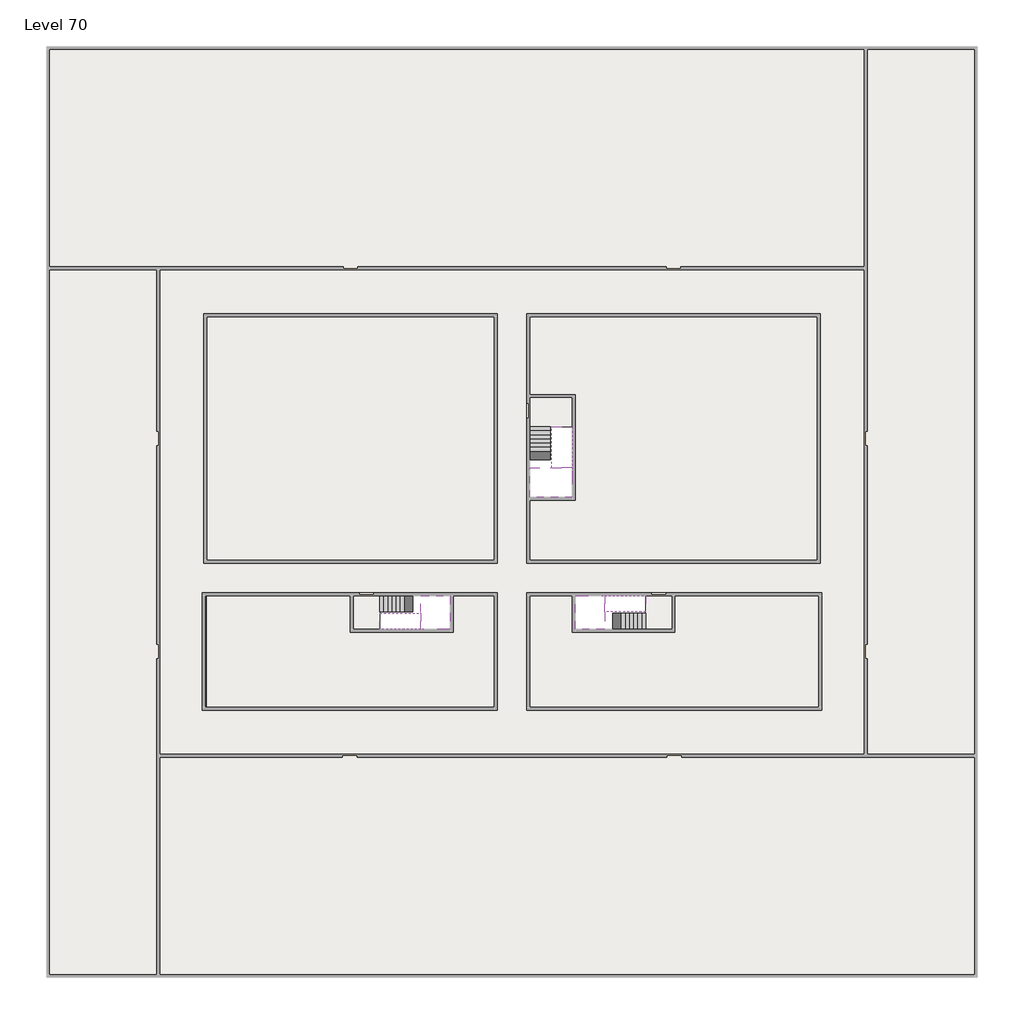
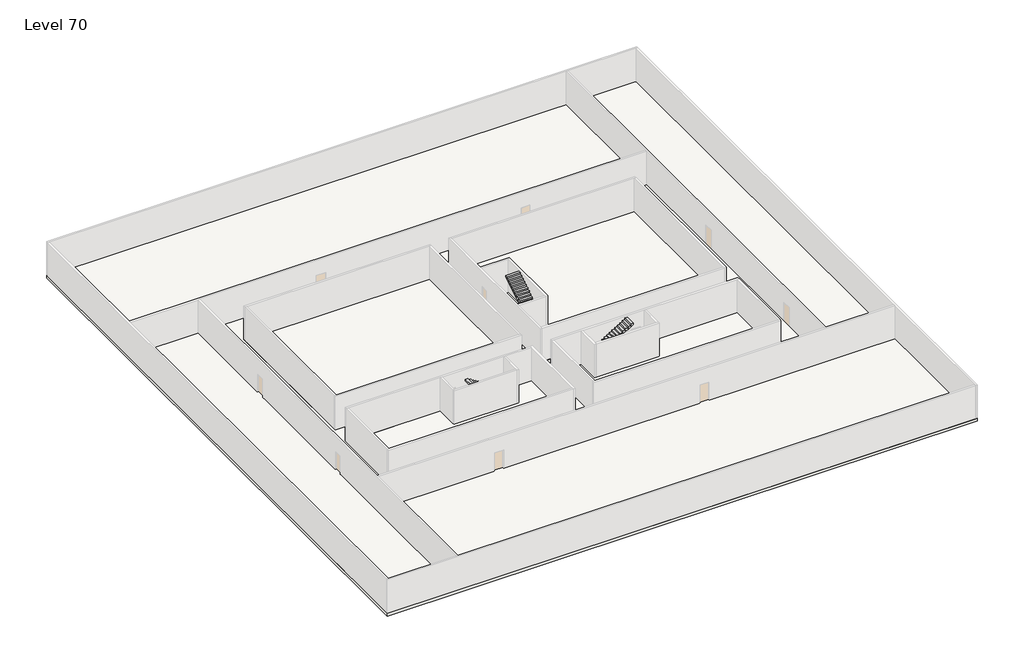
# One storey, part 2 of 2: 6 slabs, 6 stair flights.
"""IFC4 building model written with IfcOpenShell, lengths in millimetres."""

from ifc_helpers import new_model, si_unit, frame, origin, place, context, project, spatial, polyline, outline, extrude, faceted_brep, element, save

model = new_model("IFC4")

# Units and contexts
model_context = context("Model", 3, world=origin())
ifc_project = project(units=[si_unit("LENGTHUNIT", "METRE", prefix="MILLI")], contexts=[model_context])

# Site, building, storey
site = spatial("IfcSite", under=ifc_project)
building = spatial("IfcBuilding", under=site)
storey = spatial("IfcBuildingStorey", under=building, Name="Level 70", Elevation=262200.0)

# Slabs
placement = place(None, origin())
element("IfcSlab", 1, at=placement, inside=storey, context=model_context, shape_type="SweptSolid", body=[
    extrude(outline(polyline([(55890.1058784, -5518.09644), (55890.1058784, -68918.09644), (-7509.8941216, -68918.09644), (-7509.8941216, -5518.09644), (55890.1058784, -5518.09644)]), holes=[polyline([(23190.1058784, -23718.09644), (3190.1058784, -23718.09644), (3190.1058784, -40718.09644), (23190.1058784, -40718.09644), (23190.1058784, -23718.09644)]), polyline([(45190.1058784, -23718.09644), (25190.1058784, -23718.09644), (25190.1058784, -40718.09644), (45190.1058784, -40718.09644), (45190.1058784, -23718.09644)]), polyline([(23190.1058784, -50718.09644), (23190.1058784, -42718.09644), (3390.1058784, -42718.09644), (3390.1058784, -50718.09644), (23190.1058784, -50718.09644)]), polyline([(25190.1058784, -50718.09644), (45190.1058784, -50718.09644), (45190.1058784, -42718.09644), (25190.1058784, -42718.09644), (25190.1058784, -50718.09644)])]), frame((0.0, 0.0, 261900.0), z_axis=(0.0, 0.0, 1.0), x_axis=(1.0, 0.0, 0.0)), (0.0, 0.0, 1.0), 300.0),
])
element("IfcSlab", 2, at=placement, inside=storey, context=model_context, shape_type="Brep", body=[
    faceted_brep([(26790.1058784, -34218.09644, 264100.0), (25390.1058784, -34218.09644, 264100.0), (25390.1058784, -34297.4828763, 264100.0), (25390.1058784, -36218.09644, 264100.0), (28290.1058784, -36218.09644, 264100.0), (28290.1058784, -34418.7100038, 264100.0), (28290.1058784, -34218.09644, 264100.0), (26890.1058784, -34218.09644, 264100.0), (26790.1058784, -34218.09644, 263800.0), (26790.1058784, -34218.09644, 263751.0278478), (25390.1058784, -34218.09644, 263751.0278478), (25390.1058784, -34218.09644, 263927.2727273), (25390.1058784, -34297.4828763, 263800.0), (25390.1058784, -36218.09644, 263800.0), (28290.1058784, -36218.09644, 263800.0), (28290.1058784, -34418.7100038, 263800.0), (28290.1058784, -34218.09644, 263923.7551205), (26890.1058784, -34218.09644, 263923.7551205), (26890.1058784, -34218.09644, 263800.0), (26890.1058784, -34418.7100038, 263800.0), (26790.1058784, -34297.4828763, 263800.0)], [[[0, 1, 2, 3, 4, 5, 6, 7]], [[1, 0, 8, 9, 10, 11]], [[1, 11, 10, 12, 13, 3, 2]], [[4, 3, 13, 14]], [[4, 14, 15, 16, 6, 5]], [[7, 6, 16, 17]], [[0, 7, 17, 18, 8]], [[18, 19, 15, 14, 13, 12, 20, 8]], [[19, 18, 17]], [[20, 12, 10, 9]], [[8, 20, 9]], [[15, 19, 17, 16]]]),
])
element("IfcSlab", 3, at=placement, inside=storey, context=model_context, shape_type="SweptSolid", body=[
    extrude(outline(polyline([(22990.1058784, -23918.09644), (22990.1058784, -40518.09644), (3390.1058784, -40518.09644), (3390.1058784, -23918.09644), (22990.1058784, -23918.09644)])), frame((0.0, 0.0, 261900.0), z_axis=(0.0, 0.0, 1.0), x_axis=(1.0, 0.0, 0.0)), (0.0, 0.0, 1.0), 300.0),
    extrude(outline(polyline([(44990.1058784, -23918.09644), (44990.1058784, -40518.09644), (25390.1058784, -40518.09644), (25390.1058784, -36418.09644), (28490.1058784, -36418.09644), (28490.1058784, -29218.09644), (25390.1058784, -29218.09644), (25390.1058784, -23918.09644), (44990.1058784, -23918.09644)])), frame((0.0, 0.0, 261900.0), z_axis=(0.0, 0.0, 1.0), x_axis=(1.0, 0.0, 0.0)), (0.0, 0.0, 1.0), 300.0),
    extrude(outline(polyline([(22990.1058784, -42918.09644), (22990.1058784, -50518.09644), (3390.1058784, -50518.09644), (3390.1058784, -42918.09644), (13190.1058784, -42918.09644), (13190.1058784, -45418.09644), (20190.1058784, -45418.09644), (20190.1058784, -42918.09644), (22990.1058784, -42918.09644)])), frame((0.0, 0.0, 261900.0), z_axis=(0.0, 0.0, 1.0), x_axis=(1.0, 0.0, 0.0)), (0.0, 0.0, 1.0), 300.0),
    extrude(outline(polyline([(28290.1058784, -42918.09644), (28290.1058784, -45418.09644), (35290.1058784, -45418.09644), (35290.1058784, -42918.09644), (45090.1058784, -42918.09644), (45090.1058784, -50518.09644), (25390.1058784, -50518.09644), (25390.1058784, -42918.09644), (28290.1058784, -42918.09644)])), frame((0.0, 0.0, 261900.0), z_axis=(0.0, 0.0, 1.0), x_axis=(1.0, 0.0, 0.0)), (0.0, 0.0, 1.0), 300.0),
])
element("IfcSlab", 4, at=placement, inside=storey, context=model_context, shape_type="Brep", body=[
    faceted_brep([(30490.1058784, -45218.09644, 264100.0), (30490.1058784, -44118.09644, 264100.0), (30490.1058784, -44018.09644, 264100.0), (30490.1058784, -42918.09644, 264100.0), (30289.4923146, -42918.09644, 264100.0), (28490.1058784, -42918.09644, 264100.0), (28490.1058784, -45218.09644, 264100.0), (30410.7194421, -45218.09644, 264100.0), (30490.1058784, -45218.09644, 263927.2727273), (30490.1058784, -45218.09644, 263751.0278478), (30490.1058784, -44118.09644, 263751.0278478), (30490.1058784, -44118.09644, 263800.0), (30490.1058784, -44018.09644, 263800.0), (30490.1058784, -44018.09644, 263923.7551205), (30490.1058784, -42918.09644, 263923.7551205), (30289.4923146, -42918.09644, 263800.0), (28490.1058784, -42918.09644, 263800.0), (28490.1058784, -45218.09644, 263800.0), (30410.7194421, -45218.09644, 263800.0), (30289.4923146, -44018.09644, 263800.0), (30410.7194421, -44118.09644, 263800.0)], [[[0, 1, 2, 3, 4, 5, 6, 7]], [[1, 0, 8, 9, 10, 11]], [[2, 1, 11, 12, 13]], [[3, 2, 13, 14]], [[3, 14, 15, 16, 5, 4]], [[6, 5, 16, 17]], [[9, 8, 0, 7, 6, 17, 18]], [[19, 12, 11, 20, 18, 17, 16, 15]], [[12, 19, 13]], [[18, 20, 10, 9]], [[20, 11, 10]], [[19, 15, 14, 13]]]),
])
element("IfcSlab", 5, at=placement, inside=storey, context=model_context, shape_type="Brep", body=[
    faceted_brep([(17990.1058784, -42918.09644, 264100.0), (17990.1058784, -44018.09644, 264100.0), (17990.1058784, -44118.09644, 264100.0), (17990.1058784, -45218.09644, 264100.0), (18190.7194421, -45218.09644, 264100.0), (19990.1058784, -45218.09644, 264100.0), (19990.1058784, -42918.09644, 264100.0), (18069.4923146, -42918.09644, 264100.0), (17990.1058784, -42918.09644, 263927.2727273), (17990.1058784, -42918.09644, 263751.0278478), (17990.1058784, -44018.09644, 263751.0278478), (17990.1058784, -44018.09644, 263800.0), (17990.1058784, -44118.09644, 263800.0), (17990.1058784, -44118.09644, 263923.7551205), (17990.1058784, -45218.09644, 263923.7551205), (18190.7194421, -45218.09644, 263800.0), (19990.1058784, -45218.09644, 263800.0), (19990.1058784, -42918.09644, 263800.0), (18069.4923146, -42918.09644, 263800.0), (18190.7194421, -44118.09644, 263800.0), (18069.4923146, -44018.09644, 263800.0)], [[[0, 1, 2, 3, 4, 5, 6, 7]], [[1, 0, 8, 9, 10, 11]], [[2, 1, 11, 12, 13]], [[3, 2, 13, 14]], [[3, 14, 15, 16, 5, 4]], [[6, 5, 16, 17]], [[9, 8, 0, 7, 6, 17, 18]], [[19, 12, 11, 20, 18, 17, 16, 15]], [[12, 19, 13]], [[18, 20, 10, 9]], [[20, 11, 10]], [[19, 15, 14, 13]]]),
])
element("IfcSlab", 6, at=placement, inside=storey, context=model_context, shape_type="SweptSolid", body=[
    extrude(outline(polyline([(25190.1058784, -29418.09644), (28290.1058784, -29418.09644), (28290.1058784, -31418.09644), (25190.1058784, -31418.09644), (25190.1058784, -29418.09644)])), frame((0.0, 0.0, 261900.0), z_axis=(0.0, 0.0, 1.0), x_axis=(1.0, 0.0, 0.0)), (0.0, 0.0, 1.0), 300.0),
    extrude(outline(polyline([(15190.1058784, -45218.09644), (13390.1058784, -45218.09644), (13390.1058784, -42718.09644), (15190.1058784, -42718.09644), (15190.1058784, -45218.09644)])), frame((0.0, 0.0, 261900.0), z_axis=(0.0, 0.0, 1.0), x_axis=(1.0, 0.0, 0.0)), (0.0, 0.0, 1.0), 300.0),
    extrude(outline(polyline([(35090.1058784, -45218.09644), (33290.1058784, -45218.09644), (33290.1058784, -42718.09644), (35090.1058784, -42718.09644), (35090.1058784, -45218.09644)])), frame((0.0, 0.0, 261900.0), z_axis=(0.0, 0.0, 1.0), x_axis=(1.0, 0.0, 0.0)), (0.0, 0.0, 1.0), 300.0),
])

# Stair flights
element("IfcStairFlight", 7, at=placement, inside=storey, context=model_context, shape_type="Brep", body=[
    faceted_brep([(26790.1058784, -31698.09644, 262372.7272727), (26790.1058784, -31418.09644, 262372.7272727), (25390.1058784, -31418.09644, 262372.7272727), (25390.1058784, -31698.09644, 262372.7272727), (26790.1058784, -31698.09644, 262200.0), (26790.1058784, -31418.09644, 262200.0), (25390.1058784, -31418.09644, 262200.0), (25390.1058784, -31698.09644, 262200.0), (26790.1058784, -31978.09644, 262545.4545455), (26790.1058784, -31698.09644, 262545.4545455), (25390.1058784, -31698.09644, 262545.4545455), (25390.1058784, -31978.09644, 262545.4545455), (26790.1058784, -31978.09644, 262369.209666), (26790.1058784, -31703.7986657, 262200.0), (25390.1058784, -31703.7986657, 262200.0), (25390.1058784, -31978.09644, 262369.209666), (26790.1058784, -32258.09644, 262718.1818182), (26790.1058784, -31978.09644, 262718.1818182), (25390.1058784, -31978.09644, 262718.1818182), (25390.1058784, -32258.09644, 262718.1818182), (26790.1058784, -32258.09644, 262541.9369387), (25390.1058784, -32258.09644, 262541.9369387), (26790.1058784, -32538.09644, 262890.9090909), (26790.1058784, -32258.09644, 262890.9090909), (25390.1058784, -32258.09644, 262890.9090909), (25390.1058784, -32538.09644, 262890.9090909), (26790.1058784, -32538.09644, 262714.6642114), (25390.1058784, -32538.09644, 262714.6642114), (26790.1058784, -32818.09644, 263063.6363636), (26790.1058784, -32538.09644, 263063.6363636), (25390.1058784, -32538.09644, 263063.6363636), (25390.1058784, -32818.09644, 263063.6363636), (26790.1058784, -32818.09644, 262887.3914841), (25390.1058784, -32818.09644, 262887.3914841), (26790.1058784, -33098.09644, 263236.3636364), (26790.1058784, -32818.09644, 263236.3636364), (25390.1058784, -32818.09644, 263236.3636364), (25390.1058784, -33098.09644, 263236.3636364), (26790.1058784, -33098.09644, 263060.1187569), (25390.1058784, -33098.09644, 263060.1187569), (26790.1058784, -33378.09644, 263409.0909091), (26790.1058784, -33098.09644, 263409.0909091), (25390.1058784, -33098.09644, 263409.0909091), (25390.1058784, -33378.09644, 263409.0909091), (26790.1058784, -33378.09644, 263232.8460296), (25390.1058784, -33378.09644, 263232.8460296), (26790.1058784, -33658.09644, 263581.8181818), (26790.1058784, -33378.09644, 263581.8181818), (25390.1058784, -33378.09644, 263581.8181818), (25390.1058784, -33658.09644, 263581.8181818), (26790.1058784, -33658.09644, 263405.5733023), (25390.1058784, -33658.09644, 263405.5733023), (26790.1058784, -33938.09644, 263754.5454545), (26790.1058784, -33658.09644, 263754.5454545), (25390.1058784, -33658.09644, 263754.5454545), (25390.1058784, -33938.09644, 263754.5454545), (26790.1058784, -33938.09644, 263578.3005751), (25390.1058784, -33938.09644, 263578.3005751), (26790.1058784, -34218.09644, 263927.2727273), (26790.1058784, -33938.09644, 263927.2727273), (25390.1058784, -33938.09644, 263927.2727273), (25390.1058784, -34218.09644, 263927.2727273), (26790.1058784, -34218.09644, 263800.0), (26790.1058784, -34218.09644, 263751.0278478), (25390.1058784, -34218.09644, 263751.0278478)], [[[0, 1, 2, 3]], [[1, 0, 4, 5]], [[2, 1, 5, 6]], [[3, 2, 6, 7]], [[8, 9, 10, 11]], [[4, 0, 9, 8, 12, 13]], [[0, 3, 10, 9]], [[3, 7, 14, 15, 11, 10]], [[16, 17, 18, 19]], [[17, 16, 20, 12, 8]], [[8, 11, 18, 17]], [[19, 18, 11, 15, 21]], [[22, 23, 24, 25]], [[23, 22, 26, 20, 16]], [[16, 19, 24, 23]], [[25, 24, 19, 21, 27]], [[28, 29, 30, 31]], [[29, 28, 32, 26, 22]], [[22, 25, 30, 29]], [[31, 30, 25, 27, 33]], [[34, 35, 36, 37]], [[35, 34, 38, 32, 28]], [[28, 31, 36, 35]], [[37, 36, 31, 33, 39]], [[40, 41, 42, 43]], [[41, 40, 44, 38, 34]], [[34, 37, 42, 41]], [[43, 42, 37, 39, 45]], [[46, 47, 48, 49]], [[47, 46, 50, 44, 40]], [[40, 43, 48, 47]], [[49, 48, 43, 45, 51]], [[52, 53, 54, 55]], [[53, 52, 56, 50, 46]], [[46, 49, 54, 53]], [[55, 54, 49, 51, 57]], [[58, 59, 60, 61]], [[59, 58, 62, 63, 56, 52]], [[52, 55, 60, 59]], [[61, 60, 55, 57, 64]], [[58, 61, 64, 63, 62]], [[5, 4, 13, 14, 7, 6]], [[14, 13, 12, 20, 26, 32, 38, 44, 50, 56, 63, 64, 57, 51, 45, 39, 33, 27, 21, 15]]]),
])
element("IfcStairFlight", 8, at=placement, inside=storey, context=model_context, shape_type="Brep", body=[
    faceted_brep([(26890.1058784, -33938.09644, 264272.7272727), (26890.1058784, -34218.09644, 264272.7272727), (28290.1058784, -34218.09644, 264272.7272727), (28290.1058784, -33938.09644, 264272.7272727), (26890.1058784, -33938.09644, 264096.4823932), (26890.1058784, -34218.09644, 263923.7551205), (28290.1058784, -34218.09644, 263923.7551205), (28290.1058784, -34218.09644, 264100.0), (28290.1058784, -33938.09644, 264096.4823932), (26890.1058784, -33658.09644, 264445.4545455), (26890.1058784, -33938.09644, 264445.4545455), (28290.1058784, -33938.09644, 264445.4545455), (28290.1058784, -33658.09644, 264445.4545455), (26890.1058784, -33658.09644, 264269.209666), (28290.1058784, -33658.09644, 264269.209666), (26890.1058784, -33378.09644, 264618.1818182), (26890.1058784, -33658.09644, 264618.1818182), (28290.1058784, -33658.09644, 264618.1818182), (28290.1058784, -33378.09644, 264618.1818182), (26890.1058784, -33378.09644, 264441.9369387), (28290.1058784, -33378.09644, 264441.9369387), (26890.1058784, -33098.09644, 264790.9090909), (26890.1058784, -33378.09644, 264790.9090909), (28290.1058784, -33378.09644, 264790.9090909), (28290.1058784, -33098.09644, 264790.9090909), (26890.1058784, -33098.09644, 264614.6642114), (28290.1058784, -33098.09644, 264614.6642114), (26890.1058784, -32818.09644, 264963.6363636), (26890.1058784, -33098.09644, 264963.6363636), (28290.1058784, -33098.09644, 264963.6363636), (28290.1058784, -32818.09644, 264963.6363636), (26890.1058784, -32818.09644, 264787.3914841), (28290.1058784, -32818.09644, 264787.3914841), (26890.1058784, -32538.09644, 265136.3636364), (26890.1058784, -32818.09644, 265136.3636364), (28290.1058784, -32818.09644, 265136.3636364), (28290.1058784, -32538.09644, 265136.3636364), (26890.1058784, -32538.09644, 264960.1187569), (28290.1058784, -32538.09644, 264960.1187569), (26890.1058784, -32258.09644, 265309.0909091), (26890.1058784, -32538.09644, 265309.0909091), (28290.1058784, -32538.09644, 265309.0909091), (28290.1058784, -32258.09644, 265309.0909091), (26890.1058784, -32258.09644, 265132.8460296), (28290.1058784, -32258.09644, 265132.8460296), (26890.1058784, -31978.09644, 265481.8181818), (26890.1058784, -32258.09644, 265481.8181818), (28290.1058784, -32258.09644, 265481.8181818), (28290.1058784, -31978.09644, 265481.8181818), (26890.1058784, -31978.09644, 265305.5733023), (28290.1058784, -31978.09644, 265305.5733023), (26890.1058784, -31698.09644, 265654.5454545), (26890.1058784, -31978.09644, 265654.5454545), (28290.1058784, -31978.09644, 265654.5454545), (28290.1058784, -31698.09644, 265654.5454545), (26890.1058784, -31698.09644, 265478.3005751), (28290.1058784, -31698.09644, 265478.3005751), (26890.1058784, -31418.09644, 265827.2727273), (26890.1058784, -31698.09644, 265827.2727273), (28290.1058784, -31698.09644, 265827.2727273), (28290.1058784, -31418.09644, 265827.2727273), (26890.1058784, -31418.09644, 265651.0278478), (28290.1058784, -31418.09644, 265651.0278478)], [[[0, 1, 2, 3]], [[1, 0, 4, 5]], [[2, 1, 5, 6, 7]], [[3, 2, 7, 6, 8]], [[9, 10, 11, 12]], [[10, 9, 13, 4, 0]], [[11, 10, 0, 3]], [[12, 11, 3, 8, 14]], [[15, 16, 17, 18]], [[16, 15, 19, 13, 9]], [[17, 16, 9, 12]], [[18, 17, 12, 14, 20]], [[21, 22, 23, 24]], [[22, 21, 25, 19, 15]], [[23, 22, 15, 18]], [[24, 23, 18, 20, 26]], [[27, 28, 29, 30]], [[28, 27, 31, 25, 21]], [[29, 28, 21, 24]], [[30, 29, 24, 26, 32]], [[33, 34, 35, 36]], [[34, 33, 37, 31, 27]], [[35, 34, 27, 30]], [[36, 35, 30, 32, 38]], [[39, 40, 41, 42]], [[40, 39, 43, 37, 33]], [[41, 40, 33, 36]], [[42, 41, 36, 38, 44]], [[45, 46, 47, 48]], [[46, 45, 49, 43, 39]], [[47, 46, 39, 42]], [[48, 47, 42, 44, 50]], [[51, 52, 53, 54]], [[52, 51, 55, 49, 45]], [[53, 52, 45, 48]], [[54, 53, 48, 50, 56]], [[57, 58, 59, 60]], [[58, 57, 61, 55, 51]], [[59, 58, 51, 54]], [[60, 59, 54, 56, 62]], [[57, 60, 62, 61]], [[5, 4, 13, 19, 25, 31, 37, 43, 49, 55, 61, 62, 56, 50, 44, 38, 32, 26, 20, 14, 8, 6]]]),
])
element("IfcStairFlight", 9, at=placement, inside=storey, context=model_context, shape_type="Brep", body=[
    faceted_brep([(33010.1058784, -45218.09644, 262372.7272727), (33290.1058784, -45218.09644, 262372.7272727), (33290.1058784, -44118.09644, 262372.7272727), (33010.1058784, -44118.09644, 262372.7272727), (33010.1058784, -45218.09644, 262200.0), (33290.1058784, -45218.09644, 262200.0), (33290.1058784, -44118.09644, 262200.0), (33010.1058784, -44118.09644, 262200.0), (32730.1058784, -45218.09644, 262545.4545455), (33010.1058784, -45218.09644, 262545.4545455), (33010.1058784, -44118.09644, 262545.4545455), (32730.1058784, -44118.09644, 262545.4545455), (32730.1058784, -45218.09644, 262369.209666), (33004.4036527, -45218.09644, 262200.0), (33004.4036527, -44118.09644, 262200.0), (32730.1058784, -44118.09644, 262369.209666), (32450.1058784, -45218.09644, 262718.1818182), (32730.1058784, -45218.09644, 262718.1818182), (32730.1058784, -44118.09644, 262718.1818182), (32450.1058784, -44118.09644, 262718.1818182), (32450.1058784, -45218.09644, 262541.9369387), (32450.1058784, -44118.09644, 262541.9369387), (32170.1058784, -45218.09644, 262890.9090909), (32450.1058784, -45218.09644, 262890.9090909), (32450.1058784, -44118.09644, 262890.9090909), (32170.1058784, -44118.09644, 262890.9090909), (32170.1058784, -45218.09644, 262714.6642114), (32170.1058784, -44118.09644, 262714.6642114), (31890.1058784, -45218.09644, 263063.6363636), (32170.1058784, -45218.09644, 263063.6363636), (32170.1058784, -44118.09644, 263063.6363636), (31890.1058784, -44118.09644, 263063.6363636), (31890.1058784, -45218.09644, 262887.3914841), (31890.1058784, -44118.09644, 262887.3914841), (31610.1058784, -45218.09644, 263236.3636364), (31890.1058784, -45218.09644, 263236.3636364), (31890.1058784, -44118.09644, 263236.3636364), (31610.1058784, -44118.09644, 263236.3636364), (31610.1058784, -45218.09644, 263060.1187569), (31610.1058784, -44118.09644, 263060.1187569), (31330.1058784, -45218.09644, 263409.0909091), (31610.1058784, -45218.09644, 263409.0909091), (31610.1058784, -44118.09644, 263409.0909091), (31330.1058784, -44118.09644, 263409.0909091), (31330.1058784, -45218.09644, 263232.8460296), (31330.1058784, -44118.09644, 263232.8460296), (31050.1058784, -45218.09644, 263581.8181818), (31330.1058784, -45218.09644, 263581.8181818), (31330.1058784, -44118.09644, 263581.8181818), (31050.1058784, -44118.09644, 263581.8181818), (31050.1058784, -45218.09644, 263405.5733023), (31050.1058784, -44118.09644, 263405.5733023), (30770.1058784, -45218.09644, 263754.5454545), (31050.1058784, -45218.09644, 263754.5454545), (31050.1058784, -44118.09644, 263754.5454545), (30770.1058784, -44118.09644, 263754.5454545), (30770.1058784, -45218.09644, 263578.3005751), (30770.1058784, -44118.09644, 263578.3005751), (30490.1058784, -45218.09644, 263927.2727273), (30770.1058784, -45218.09644, 263927.2727273), (30770.1058784, -44118.09644, 263927.2727273), (30490.1058784, -44118.09644, 263927.2727273), (30490.1058784, -45218.09644, 263751.0278478), (30490.1058784, -44118.09644, 263751.0278478), (30490.1058784, -44118.09644, 263800.0)], [[[0, 1, 2, 3]], [[1, 0, 4, 5]], [[2, 1, 5, 6]], [[3, 2, 6, 7]], [[8, 9, 10, 11]], [[4, 0, 9, 8, 12, 13]], [[0, 3, 10, 9]], [[3, 7, 14, 15, 11, 10]], [[16, 17, 18, 19]], [[17, 16, 20, 12, 8]], [[8, 11, 18, 17]], [[19, 18, 11, 15, 21]], [[22, 23, 24, 25]], [[23, 22, 26, 20, 16]], [[16, 19, 24, 23]], [[25, 24, 19, 21, 27]], [[28, 29, 30, 31]], [[29, 28, 32, 26, 22]], [[22, 25, 30, 29]], [[31, 30, 25, 27, 33]], [[34, 35, 36, 37]], [[35, 34, 38, 32, 28]], [[28, 31, 36, 35]], [[37, 36, 31, 33, 39]], [[40, 41, 42, 43]], [[41, 40, 44, 38, 34]], [[34, 37, 42, 41]], [[43, 42, 37, 39, 45]], [[46, 47, 48, 49]], [[47, 46, 50, 44, 40]], [[40, 43, 48, 47]], [[49, 48, 43, 45, 51]], [[52, 53, 54, 55]], [[53, 52, 56, 50, 46]], [[46, 49, 54, 53]], [[55, 54, 49, 51, 57]], [[58, 59, 60, 61]], [[59, 58, 62, 56, 52]], [[52, 55, 60, 59]], [[61, 60, 55, 57, 63, 64]], [[58, 61, 64, 63, 62]], [[5, 4, 13, 14, 7, 6]], [[14, 13, 12, 20, 26, 32, 38, 44, 50, 56, 62, 63, 57, 51, 45, 39, 33, 27, 21, 15]]]),
])
element("IfcStairFlight", 10, at=placement, inside=storey, context=model_context, shape_type="Brep", body=[
    faceted_brep([(30770.1058784, -42918.09644, 264272.7272727), (30490.1058784, -42918.09644, 264272.7272727), (30490.1058784, -44018.09644, 264272.7272727), (30770.1058784, -44018.09644, 264272.7272727), (30770.1058784, -42918.09644, 264096.4823932), (30490.1058784, -42918.09644, 263923.7551205), (30490.1058784, -42918.09644, 264100.0), (30490.1058784, -44018.09644, 263923.7551205), (30770.1058784, -44018.09644, 264096.4823932), (31050.1058784, -42918.09644, 264445.4545455), (30770.1058784, -42918.09644, 264445.4545455), (30770.1058784, -44018.09644, 264445.4545455), (31050.1058784, -44018.09644, 264445.4545455), (31050.1058784, -42918.09644, 264269.209666), (31050.1058784, -44018.09644, 264269.209666), (31330.1058784, -42918.09644, 264618.1818182), (31050.1058784, -42918.09644, 264618.1818182), (31050.1058784, -44018.09644, 264618.1818182), (31330.1058784, -44018.09644, 264618.1818182), (31330.1058784, -42918.09644, 264441.9369387), (31330.1058784, -44018.09644, 264441.9369387), (31610.1058784, -42918.09644, 264790.9090909), (31330.1058784, -42918.09644, 264790.9090909), (31330.1058784, -44018.09644, 264790.9090909), (31610.1058784, -44018.09644, 264790.9090909), (31610.1058784, -42918.09644, 264614.6642114), (31610.1058784, -44018.09644, 264614.6642114), (31890.1058784, -42918.09644, 264963.6363636), (31610.1058784, -42918.09644, 264963.6363636), (31610.1058784, -44018.09644, 264963.6363636), (31890.1058784, -44018.09644, 264963.6363636), (31890.1058784, -42918.09644, 264787.3914841), (31890.1058784, -44018.09644, 264787.3914841), (32170.1058784, -42918.09644, 265136.3636364), (31890.1058784, -42918.09644, 265136.3636364), (31890.1058784, -44018.09644, 265136.3636364), (32170.1058784, -44018.09644, 265136.3636364), (32170.1058784, -42918.09644, 264960.1187569), (32170.1058784, -44018.09644, 264960.1187569), (32450.1058784, -42918.09644, 265309.0909091), (32170.1058784, -42918.09644, 265309.0909091), (32170.1058784, -44018.09644, 265309.0909091), (32450.1058784, -44018.09644, 265309.0909091), (32450.1058784, -42918.09644, 265132.8460296), (32450.1058784, -44018.09644, 265132.8460296), (32730.1058784, -42918.09644, 265481.8181818), (32450.1058784, -42918.09644, 265481.8181818), (32450.1058784, -44018.09644, 265481.8181818), (32730.1058784, -44018.09644, 265481.8181818), (32730.1058784, -42918.09644, 265305.5733023), (32730.1058784, -44018.09644, 265305.5733023), (33010.1058784, -42918.09644, 265654.5454545), (32730.1058784, -42918.09644, 265654.5454545), (32730.1058784, -44018.09644, 265654.5454545), (33010.1058784, -44018.09644, 265654.5454545), (33010.1058784, -42918.09644, 265478.3005751), (33010.1058784, -44018.09644, 265478.3005751), (33290.1058784, -42918.09644, 265827.2727273), (33010.1058784, -42918.09644, 265827.2727273), (33010.1058784, -44018.09644, 265827.2727273), (33290.1058784, -44018.09644, 265827.2727273), (33290.1058784, -42918.09644, 265651.0278478), (33290.1058784, -44018.09644, 265651.0278478)], [[[0, 1, 2, 3]], [[1, 0, 4, 5, 6]], [[2, 1, 6, 5, 7]], [[3, 2, 7, 8]], [[9, 10, 11, 12]], [[10, 9, 13, 4, 0]], [[11, 10, 0, 3]], [[12, 11, 3, 8, 14]], [[15, 16, 17, 18]], [[16, 15, 19, 13, 9]], [[17, 16, 9, 12]], [[18, 17, 12, 14, 20]], [[21, 22, 23, 24]], [[22, 21, 25, 19, 15]], [[23, 22, 15, 18]], [[24, 23, 18, 20, 26]], [[27, 28, 29, 30]], [[28, 27, 31, 25, 21]], [[29, 28, 21, 24]], [[30, 29, 24, 26, 32]], [[33, 34, 35, 36]], [[34, 33, 37, 31, 27]], [[35, 34, 27, 30]], [[36, 35, 30, 32, 38]], [[39, 40, 41, 42]], [[40, 39, 43, 37, 33]], [[41, 40, 33, 36]], [[42, 41, 36, 38, 44]], [[45, 46, 47, 48]], [[46, 45, 49, 43, 39]], [[47, 46, 39, 42]], [[48, 47, 42, 44, 50]], [[51, 52, 53, 54]], [[52, 51, 55, 49, 45]], [[53, 52, 45, 48]], [[54, 53, 48, 50, 56]], [[57, 58, 59, 60]], [[58, 57, 61, 55, 51]], [[59, 58, 51, 54]], [[60, 59, 54, 56, 62]], [[57, 60, 62, 61]], [[5, 4, 13, 19, 25, 31, 37, 43, 49, 55, 61, 62, 56, 50, 44, 38, 32, 26, 20, 14, 8, 7]]]),
])
element("IfcStairFlight", 11, at=placement, inside=storey, context=model_context, shape_type="Brep", body=[
    faceted_brep([(15470.1058784, -42918.09644, 262372.7272727), (15190.1058784, -42918.09644, 262372.7272727), (15190.1058784, -44018.09644, 262372.7272727), (15470.1058784, -44018.09644, 262372.7272727), (15470.1058784, -42918.09644, 262200.0), (15190.1058784, -42918.09644, 262200.0), (15190.1058784, -44018.09644, 262200.0), (15470.1058784, -44018.09644, 262200.0), (15750.1058784, -42918.09644, 262545.4545455), (15470.1058784, -42918.09644, 262545.4545455), (15470.1058784, -44018.09644, 262545.4545455), (15750.1058784, -44018.09644, 262545.4545455), (15750.1058784, -42918.09644, 262369.209666), (15475.8081041, -42918.09644, 262200.0), (15475.8081041, -44018.09644, 262200.0), (15750.1058784, -44018.09644, 262369.209666), (16030.1058784, -42918.09644, 262718.1818182), (15750.1058784, -42918.09644, 262718.1818182), (15750.1058784, -44018.09644, 262718.1818182), (16030.1058784, -44018.09644, 262718.1818182), (16030.1058784, -42918.09644, 262541.9369387), (16030.1058784, -44018.09644, 262541.9369387), (16310.1058784, -42918.09644, 262890.9090909), (16030.1058784, -42918.09644, 262890.9090909), (16030.1058784, -44018.09644, 262890.9090909), (16310.1058784, -44018.09644, 262890.9090909), (16310.1058784, -42918.09644, 262714.6642114), (16310.1058784, -44018.09644, 262714.6642114), (16590.1058784, -42918.09644, 263063.6363636), (16310.1058784, -42918.09644, 263063.6363636), (16310.1058784, -44018.09644, 263063.6363636), (16590.1058784, -44018.09644, 263063.6363636), (16590.1058784, -42918.09644, 262887.3914841), (16590.1058784, -44018.09644, 262887.3914841), (16870.1058784, -42918.09644, 263236.3636364), (16590.1058784, -42918.09644, 263236.3636364), (16590.1058784, -44018.09644, 263236.3636364), (16870.1058784, -44018.09644, 263236.3636364), (16870.1058784, -42918.09644, 263060.1187569), (16870.1058784, -44018.09644, 263060.1187569), (17150.1058784, -42918.09644, 263409.0909091), (16870.1058784, -42918.09644, 263409.0909091), (16870.1058784, -44018.09644, 263409.0909091), (17150.1058784, -44018.09644, 263409.0909091), (17150.1058784, -42918.09644, 263232.8460296), (17150.1058784, -44018.09644, 263232.8460296), (17430.1058784, -42918.09644, 263581.8181818), (17150.1058784, -42918.09644, 263581.8181818), (17150.1058784, -44018.09644, 263581.8181818), (17430.1058784, -44018.09644, 263581.8181818), (17430.1058784, -42918.09644, 263405.5733023), (17430.1058784, -44018.09644, 263405.5733023), (17710.1058784, -42918.09644, 263754.5454545), (17430.1058784, -42918.09644, 263754.5454545), (17430.1058784, -44018.09644, 263754.5454545), (17710.1058784, -44018.09644, 263754.5454545), (17710.1058784, -42918.09644, 263578.3005751), (17710.1058784, -44018.09644, 263578.3005751), (17990.1058784, -42918.09644, 263927.2727273), (17710.1058784, -42918.09644, 263927.2727273), (17710.1058784, -44018.09644, 263927.2727273), (17990.1058784, -44018.09644, 263927.2727273), (17990.1058784, -42918.09644, 263751.0278478), (17990.1058784, -44018.09644, 263751.0278478), (17990.1058784, -44018.09644, 263800.0)], [[[0, 1, 2, 3]], [[1, 0, 4, 5]], [[2, 1, 5, 6]], [[3, 2, 6, 7]], [[8, 9, 10, 11]], [[4, 0, 9, 8, 12, 13]], [[0, 3, 10, 9]], [[3, 7, 14, 15, 11, 10]], [[16, 17, 18, 19]], [[17, 16, 20, 12, 8]], [[8, 11, 18, 17]], [[19, 18, 11, 15, 21]], [[22, 23, 24, 25]], [[23, 22, 26, 20, 16]], [[16, 19, 24, 23]], [[25, 24, 19, 21, 27]], [[28, 29, 30, 31]], [[29, 28, 32, 26, 22]], [[22, 25, 30, 29]], [[31, 30, 25, 27, 33]], [[34, 35, 36, 37]], [[35, 34, 38, 32, 28]], [[28, 31, 36, 35]], [[37, 36, 31, 33, 39]], [[40, 41, 42, 43]], [[41, 40, 44, 38, 34]], [[34, 37, 42, 41]], [[43, 42, 37, 39, 45]], [[46, 47, 48, 49]], [[47, 46, 50, 44, 40]], [[40, 43, 48, 47]], [[49, 48, 43, 45, 51]], [[52, 53, 54, 55]], [[53, 52, 56, 50, 46]], [[46, 49, 54, 53]], [[55, 54, 49, 51, 57]], [[58, 59, 60, 61]], [[59, 58, 62, 56, 52]], [[52, 55, 60, 59]], [[61, 60, 55, 57, 63, 64]], [[58, 61, 64, 63, 62]], [[5, 4, 13, 14, 7, 6]], [[14, 13, 12, 20, 26, 32, 38, 44, 50, 56, 62, 63, 57, 51, 45, 39, 33, 27, 21, 15]]]),
])
element("IfcStairFlight", 12, at=placement, inside=storey, context=model_context, shape_type="Brep", body=[
    faceted_brep([(17710.1058784, -45218.09644, 264272.7272727), (17990.1058784, -45218.09644, 264272.7272727), (17990.1058784, -44118.09644, 264272.7272727), (17710.1058784, -44118.09644, 264272.7272727), (17710.1058784, -45218.09644, 264096.4823932), (17990.1058784, -45218.09644, 263923.7551205), (17990.1058784, -45218.09644, 264100.0), (17990.1058784, -44118.09644, 263923.7551205), (17710.1058784, -44118.09644, 264096.4823932), (17430.1058784, -45218.09644, 264445.4545455), (17710.1058784, -45218.09644, 264445.4545455), (17710.1058784, -44118.09644, 264445.4545455), (17430.1058784, -44118.09644, 264445.4545455), (17430.1058784, -45218.09644, 264269.209666), (17430.1058784, -44118.09644, 264269.209666), (17150.1058784, -45218.09644, 264618.1818182), (17430.1058784, -45218.09644, 264618.1818182), (17430.1058784, -44118.09644, 264618.1818182), (17150.1058784, -44118.09644, 264618.1818182), (17150.1058784, -45218.09644, 264441.9369387), (17150.1058784, -44118.09644, 264441.9369387), (16870.1058784, -45218.09644, 264790.9090909), (17150.1058784, -45218.09644, 264790.9090909), (17150.1058784, -44118.09644, 264790.9090909), (16870.1058784, -44118.09644, 264790.9090909), (16870.1058784, -45218.09644, 264614.6642114), (16870.1058784, -44118.09644, 264614.6642114), (16590.1058784, -45218.09644, 264963.6363636), (16870.1058784, -45218.09644, 264963.6363636), (16870.1058784, -44118.09644, 264963.6363636), (16590.1058784, -44118.09644, 264963.6363636), (16590.1058784, -45218.09644, 264787.3914841), (16590.1058784, -44118.09644, 264787.3914841), (16310.1058784, -45218.09644, 265136.3636364), (16590.1058784, -45218.09644, 265136.3636364), (16590.1058784, -44118.09644, 265136.3636364), (16310.1058784, -44118.09644, 265136.3636364), (16310.1058784, -45218.09644, 264960.1187569), (16310.1058784, -44118.09644, 264960.1187569), (16030.1058784, -45218.09644, 265309.0909091), (16310.1058784, -45218.09644, 265309.0909091), (16310.1058784, -44118.09644, 265309.0909091), (16030.1058784, -44118.09644, 265309.0909091), (16030.1058784, -45218.09644, 265132.8460296), (16030.1058784, -44118.09644, 265132.8460296), (15750.1058784, -45218.09644, 265481.8181818), (16030.1058784, -45218.09644, 265481.8181818), (16030.1058784, -44118.09644, 265481.8181818), (15750.1058784, -44118.09644, 265481.8181818), (15750.1058784, -45218.09644, 265305.5733023), (15750.1058784, -44118.09644, 265305.5733023), (15470.1058784, -45218.09644, 265654.5454545), (15750.1058784, -45218.09644, 265654.5454545), (15750.1058784, -44118.09644, 265654.5454545), (15470.1058784, -44118.09644, 265654.5454545), (15470.1058784, -45218.09644, 265478.3005751), (15470.1058784, -44118.09644, 265478.3005751), (15190.1058784, -45218.09644, 265827.2727273), (15470.1058784, -45218.09644, 265827.2727273), (15470.1058784, -44118.09644, 265827.2727273), (15190.1058784, -44118.09644, 265827.2727273), (15190.1058784, -45218.09644, 265651.0278478), (15190.1058784, -44118.09644, 265651.0278478)], [[[0, 1, 2, 3]], [[1, 0, 4, 5, 6]], [[2, 1, 6, 5, 7]], [[3, 2, 7, 8]], [[9, 10, 11, 12]], [[10, 9, 13, 4, 0]], [[11, 10, 0, 3]], [[12, 11, 3, 8, 14]], [[15, 16, 17, 18]], [[16, 15, 19, 13, 9]], [[17, 16, 9, 12]], [[18, 17, 12, 14, 20]], [[21, 22, 23, 24]], [[22, 21, 25, 19, 15]], [[23, 22, 15, 18]], [[24, 23, 18, 20, 26]], [[27, 28, 29, 30]], [[28, 27, 31, 25, 21]], [[29, 28, 21, 24]], [[30, 29, 24, 26, 32]], [[33, 34, 35, 36]], [[34, 33, 37, 31, 27]], [[35, 34, 27, 30]], [[36, 35, 30, 32, 38]], [[39, 40, 41, 42]], [[40, 39, 43, 37, 33]], [[41, 40, 33, 36]], [[42, 41, 36, 38, 44]], [[45, 46, 47, 48]], [[46, 45, 49, 43, 39]], [[47, 46, 39, 42]], [[48, 47, 42, 44, 50]], [[51, 52, 53, 54]], [[52, 51, 55, 49, 45]], [[53, 52, 45, 48]], [[54, 53, 48, 50, 56]], [[57, 58, 59, 60]], [[58, 57, 61, 55, 51]], [[59, 58, 51, 54]], [[60, 59, 54, 56, 62]], [[57, 60, 62, 61]], [[5, 4, 13, 19, 25, 31, 37, 43, 49, 55, 61, 62, 56, 50, 44, 38, 32, 26, 20, 14, 8, 7]]]),
])

save(model, "model.ifc")
